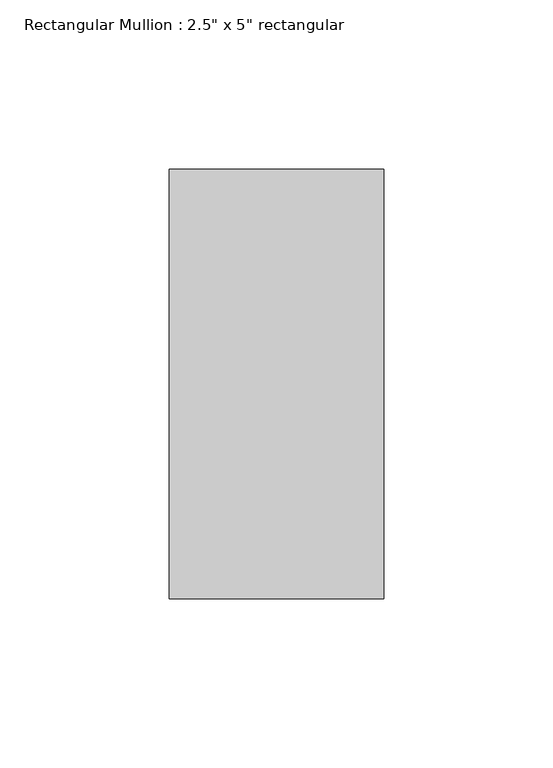
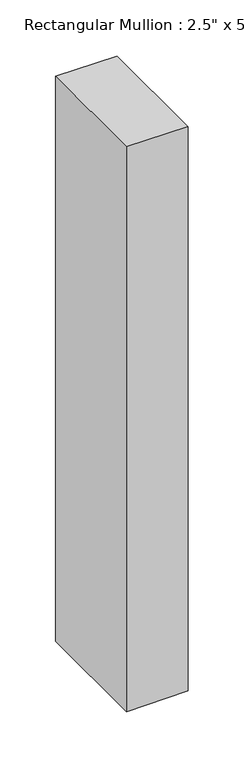
"""IFC4 building model written with IfcOpenShell, lengths in millimetres: member geometry."""

import ifcopenshell
import ifcopenshell.guid

model = None  # the IFC model being written
_history = None  # IfcOwnerHistory: only IFC2X3 demands one
_inside = {}  # id of a spatial element -> (the spatial element, [elements in it])
_under = {}  # id of a project, library or spatial element -> (it, [spatial elements below it])
_declared = {}  # id of a project -> (the project, [libraries it declares])
_typed = {}  # id of a type object -> (the type object, [elements of that type])
_made_of = {}  # id of a material, layer set ... -> (it, [elements and type objects made of it])


def new_model(schema):
    """Start an empty IFC model of exactly this schema.

    Asked for "IFC4X3", IfcOpenShell would pick the latest addendum, in which some entities
    have other attributes; the version numbers below select the first issue.
    IFC2X3 requires an IfcOwnerHistory on every rooted entity: one is made here for all.
    """
    global model, _history
    if schema == "IFC4X3":
        model = ifcopenshell.file(schema_version=(4, 3, 0, 0))
    else:
        model = ifcopenshell.file(schema=schema)
    _inside.clear()
    _under.clear()
    _declared.clear()
    _typed.clear()
    _made_of.clear()
    _history = None
    if model.schema == "IFC2X3":
        org = make("IfcOrganization", Name="unknown")
        user = make(
            "IfcPersonAndOrganization",
            ThePerson=make("IfcPerson", FamilyName="unknown"),
            TheOrganization=org,
        )
        app = make(
            "IfcApplication",
            ApplicationDeveloper=org,
            Version="unknown",
            ApplicationFullName="unknown",
            ApplicationIdentifier="unknown",
        )
        _history = make(
            "IfcOwnerHistory",
            OwningUser=user,
            OwningApplication=app,
            ChangeAction="ADDED",
            CreationDate=0,
        )
    return model


def make(cls, **values):
    """One entity of the class cls with the attributes given. An attribute that is None is left unset."""
    return model.create_entity(
        cls, **{name: value for name, value in values.items() if value is not None}
    )


def rooted(cls, **values):
    """An entity with a GlobalId (a new one), such as an element, a storey or a relation."""
    return make(cls, GlobalId=ifcopenshell.guid.new(), OwnerHistory=_history, **values)


def si_unit(unit_type, name, prefix=None):
    """IfcSIUnit, for example si_unit("LENGTHUNIT", "METRE", prefix="MILLI")."""
    return make("IfcSIUnit", UnitType=unit_type, Prefix=prefix, Name=name)


def assignment(units):
    """IfcUnitAssignment: the units of a project."""
    return None if units is None else make("IfcUnitAssignment", Units=units)


def point(xyz):
    """IfcCartesianPoint."""
    return None if xyz is None else make("IfcCartesianPoint", Coordinates=xyz)


def direction(xyz):
    """IfcDirection."""
    return None if xyz is None else make("IfcDirection", DirectionRatios=xyz)


def frame(location, z_axis=None, x_axis=None):
    """IfcAxis2Placement3D, a coordinate frame: its origin and axes. An axis left out is left unset."""
    return make(
        "IfcAxis2Placement3D",
        Location=point(location),
        Axis=direction(z_axis),
        RefDirection=direction(x_axis),
    )


def origin():
    """The frame at (0, 0, 0) with its axes left unset."""
    return frame((0.0, 0.0, 0.0))


def place(relative_to, where):
    """IfcLocalPlacement: puts the frame where relative to a parent placement (None: the world)."""
    return make(
        "IfcLocalPlacement", PlacementRelTo=relative_to, RelativePlacement=where
    )


def context(
    kind, dimensions, precision=None, world=None, true_north=None, identifier=None
):
    """IfcGeometricRepresentationContext, for example the 3D "Model" context."""
    return make(
        "IfcGeometricRepresentationContext",
        ContextIdentifier=identifier,
        ContextType=kind,
        CoordinateSpaceDimension=dimensions,
        Precision=precision,
        WorldCoordinateSystem=world,
        TrueNorth=true_north,
    )


def project(units=None, contexts=None):
    """IfcProject with its units and contexts."""
    return rooted(
        "IfcProject",
        Name="project",
        RepresentationContexts=contexts,
        UnitsInContext=assignment(units),
    )


def spatial(cls, under=None, at=None, **own):
    """A site, building, storey or space (cls), placed at a placement, below another one or the project."""
    s = rooted(cls, ObjectPlacement=at, **own)
    if under is not None:
        _under.setdefault(under.id(), (under, []))[1].append(s)
    return s


def polyline(points):
    """IfcPolyline through the points."""
    return make("IfcPolyline", Points=[point(p) for p in points])


def outline(outer, holes=None, kind="AREA"):
    """IfcArbitraryClosedProfileDef: a profile drawn as a closed curve; with holes, ...WithVoids."""
    if holes is None:
        return make("IfcArbitraryClosedProfileDef", ProfileType=kind, OuterCurve=outer)
    return make(
        "IfcArbitraryProfileDefWithVoids",
        ProfileType=kind,
        OuterCurve=outer,
        InnerCurves=holes,
    )


def extrude(swept, where, along, depth):
    """IfcExtrudedAreaSolid: the profile swept, set in the frame where, extruded along a direction by depth."""
    return make(
        "IfcExtrudedAreaSolid",
        SweptArea=swept,
        Position=where,
        ExtrudedDirection=direction(along),
        Depth=depth,
    )


def shape(context_of_items, identifier, shape_type, items):
    """IfcShapeRepresentation: the items that make up one representation, for example the "Body"."""
    return make(
        "IfcShapeRepresentation",
        ContextOfItems=context_of_items,
        RepresentationIdentifier=identifier,
        RepresentationType=shape_type,
        Items=items,
    )


def source(mapping_origin, context_of_items, identifier, shape_type, items):
    """IfcRepresentationMap: a shape defined once, which mapped items show again and again."""
    return make(
        "IfcRepresentationMap",
        MappingOrigin=mapping_origin,
        MappedRepresentation=shape(context_of_items, identifier, shape_type, items),
    )


def transform(
    local_origin,
    x_axis=None,
    y_axis=None,
    z_axis=None,
    scale=None,
    scale2=None,
    scale3=None,
    uniform=True,
):
    """IfcCartesianTransformationOperator3D, or its non-uniform kind. x_axis, y_axis, z_axis: its Axis1, 2, 3."""
    if uniform:
        return make(
            "IfcCartesianTransformationOperator3D",
            Axis1=direction(x_axis),
            Axis2=direction(y_axis),
            LocalOrigin=point(local_origin),
            Scale=scale,
            Axis3=direction(z_axis),
        )
    return make(
        "IfcCartesianTransformationOperator3DnonUniform",
        Axis1=direction(x_axis),
        Axis2=direction(y_axis),
        LocalOrigin=point(local_origin),
        Scale=scale,
        Axis3=direction(z_axis),
        Scale2=scale2,
        Scale3=scale3,
    )


def mapped(mapping_source, mapping_target):
    """IfcMappedItem: shows the shape of a source again, moved by a transform."""
    return make(
        "IfcMappedItem", MappingSource=mapping_source, MappingTarget=mapping_target
    )


def made_of(thing, what):
    """Note that an element or type object is made of a material, layer set ...; save() writes the relation."""
    if what is not None:
        _made_of.setdefault(what.id(), (what, []))[1].append(thing)
    return thing


def element(
    cls,
    number,
    at=None,
    inside=None,
    cuts=None,
    type_object=None,
    material=None,
    context=None,
    identifier="Body",
    shape_type=None,
    held_by="IfcProductDefinitionShape",
    body=None,
    shapes=None,
    **own,
):
    """One element of the class cls, such as IfcWall. Its Tag is "e" and its number.

    at: its placement. inside: the storey or other place that contains it. cuts: it is an
    opening in that element (IfcRelVoidsElement). A single representation is given by context,
    identifier, shape_type and body (its items); several are given by shapes. held_by: the class
    of the entity that holds the representations. save() writes the other relations.
    """
    e = rooted(cls, Tag="e%d" % number, ObjectPlacement=at, **own)
    if body is not None:
        shapes = [shape(context, identifier, shape_type, body)]
    if shapes is not None:
        e.Representation = make(held_by, Representations=shapes)
    if inside is not None:
        _inside.setdefault(inside.id(), (inside, []))[1].append(e)
    if cuts is not None:
        rooted(
            "IfcRelVoidsElement", RelatingBuildingElement=cuts, RelatedOpeningElement=e
        )
    if type_object is not None:
        _typed.setdefault(type_object.id(), (type_object, []))[1].append(e)
    return made_of(e, material)


def aggregate(whole, parts):
    """IfcRelAggregates: a whole, such as a stair, and the parts it consists of."""
    return rooted("IfcRelAggregates", RelatingObject=whole, RelatedObjects=parts)


def save(model, path):
    """Write the relations noted so far, then the file.

    IfcRelAggregates (storeys below a building ...), IfcRelContainedInSpatialStructure (elements
    in a storey), IfcRelDefinesByType, IfcRelAssociatesMaterial and IfcRelDeclares: one each for
    every whole, place, type object, material and project.
    """
    for whole, parts in _under.values():
        aggregate(whole, parts)
    for where, things in _inside.values():
        rooted(
            "IfcRelContainedInSpatialStructure",
            RelatedElements=things,
            RelatingStructure=where,
        )
    for kind, things in _typed.values():
        rooted("IfcRelDefinesByType", RelatedObjects=things, RelatingType=kind)
    for what, things in _made_of.values():
        rooted("IfcRelAssociatesMaterial", RelatedObjects=things, RelatingMaterial=what)
    for by, libraries in _declared.values():
        rooted("IfcRelDeclares", RelatingContext=by, RelatedDefinitions=libraries)
    model.write(path)


def member_51d2f0cb(model_context):
    return source(origin(), model_context, "Body", "SweptSolid", [
        extrude(outline(polyline([(0.0, 0.0), (0.3940952, -63.5), (-616.6436264, -63.5), (-616.2044319, 0.0), (0.0, 0.0)])), frame((0.0, -63.5, 0.0), z_axis=(0.0, 1.0, 0.0), x_axis=(0.0, 0.0, 1.0)), (0.0, 0.0, 1.0), 127.0),
    ])


if __name__ == "__main__":
    model = new_model("IFC4")
    model_context = context("Model", 3, world=origin())
    ifc_project = project(units=[si_unit("LENGTHUNIT", "METRE", prefix="MILLI")], contexts=[model_context])
    site = spatial("IfcSite", under=ifc_project)
    building = spatial("IfcBuilding", under=site)
    placement = place(None, origin())
    member_shape = member_51d2f0cb(model_context)
    element("IfcMember", 1, ObjectType="Rectangular Mullion : 2.5\" x 5\" rectangular", at=placement, inside=building, context=model_context, shape_type="MappedRepresentation", body=[
        mapped(member_shape, transform((0.0, 0.0, 0.0), x_axis=(1.0, 0.0, 0.0), y_axis=(0.0, 1.0, 0.0), z_axis=(0.0, 0.0, 1.0))),
    ])
    save(model, "model.ifc")
